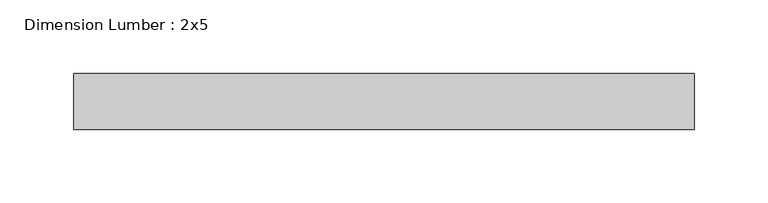
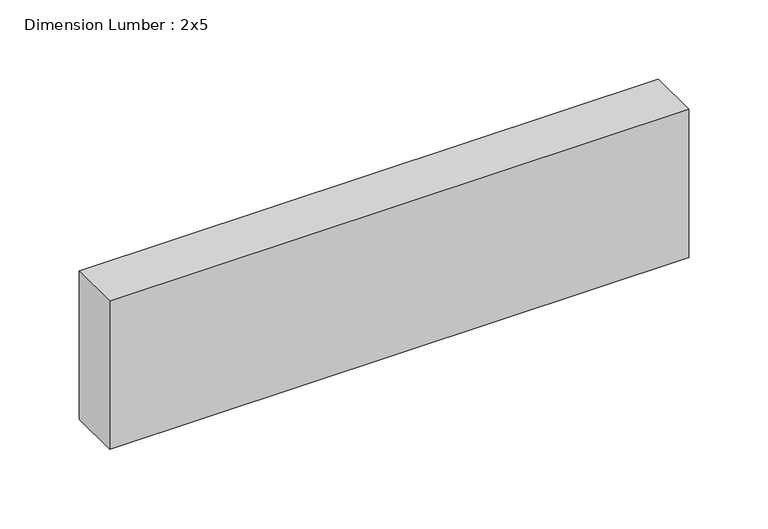
"""IFC4 building model written with IfcOpenShell, lengths in millimetres: beam geometry, Dimension Lumber : 2x5."""

from ifc_helpers import new_model, si_unit, frame, origin, place, context, project, spatial, polyline, outline, extrude, source, transform, mapped, element, save


def dimension_lumber_2x5_b7563738(model_context):
    return source(origin(), model_context, "Body", "SweptSolid", [
        extrude(outline(polyline([(212.960863, 19.05), (212.960863, -19.05), (-208.3900222, -19.05), (-208.3900222, 19.05), (212.960863, 19.05)])), frame((0.0, 0.0, -57.15), z_axis=(0.0, 0.0, 1.0), x_axis=(1.0, 0.0, 0.0)), (0.0, 0.0, 1.0), 114.3),
    ])


if __name__ == "__main__":
    model = new_model("IFC4")
    model_context = context("Model", 3, world=origin())
    ifc_project = project(units=[si_unit("LENGTHUNIT", "METRE", prefix="MILLI")], contexts=[model_context])
    site = spatial("IfcSite", under=ifc_project)
    building = spatial("IfcBuilding", under=site)
    placement = place(None, origin())
    dimension_lumber_2x5_shape = dimension_lumber_2x5_b7563738(model_context)
    element("IfcBeam", 1, ObjectType="Dimension Lumber : 2x5", at=placement, inside=building, context=model_context, shape_type="MappedRepresentation", body=[
        mapped(dimension_lumber_2x5_shape, transform((0.0, 0.0, 0.0), x_axis=(1.0, 0.0, 0.0), y_axis=(0.0, 1.0, 0.0), z_axis=(0.0, 0.0, 1.0))),
    ])
    save(model, "model.ifc")
